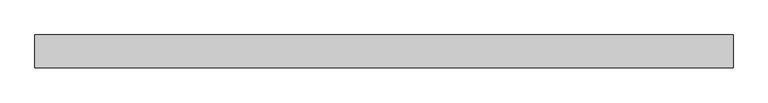
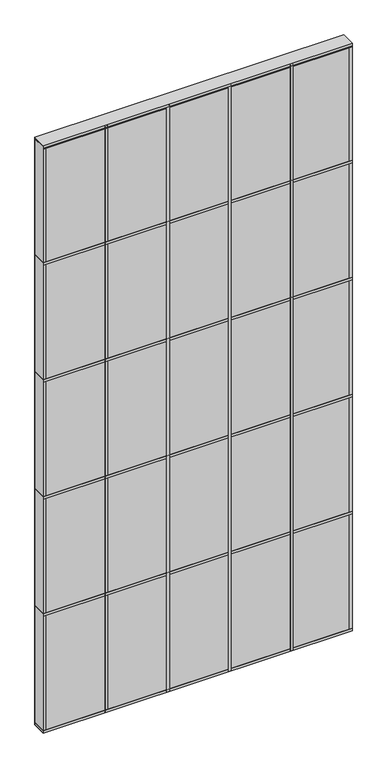
"""IFC4 building model written with IfcOpenShell, lengths in millimetres: plate geometry."""

from ifc_helpers import new_model, si_unit, frame, origin, origin_with_axes, place, context, project, spatial, polyline, outline, extrude, source, transform, mapped, element, save


def plate_a9f3fdb9(model_context):
    return source(origin(), model_context, "Body", "SweptSolid", [
        extrude(outline(polyline([(762.0, 34.925), (762.0, -34.925), (-762.0, -34.925), (-762.0, 34.925), (762.0, 34.925)])), origin_with_axes(), (0.0, 0.0, 1.0), 3054.35),
        extrude(outline(polyline([(762.0, 35.71875), (762.0, -35.71875), (-762.0, -35.71875), (-762.0, 35.71875), (762.0, 35.71875)])), frame((0.0, 0.0, 3048.0), z_axis=(0.0, 0.0, 1.0), x_axis=(1.0, 0.0, 0.0)), (0.0, 0.0, 1.0), 12.7),
        extrude(outline(polyline([(469.9, 35.71875), (469.9, -35.71875), (457.2, -35.71875), (457.2, 35.71875), (469.9, 35.71875)])), origin_with_axes(), (0.0, 0.0, 1.0), 3054.35),
        extrude(outline(polyline([(165.1, 35.71875), (165.1, -35.71875), (152.4, -35.71875), (152.4, 35.71875), (165.1, 35.71875)])), origin_with_axes(), (0.0, 0.0, 1.0), 3054.35),
        extrude(outline(polyline([(-139.7, 35.71875), (-139.7, -35.71875), (-152.4, -35.71875), (-152.4, 35.71875), (-139.7, 35.71875)])), origin_with_axes(), (0.0, 0.0, 1.0), 3054.35),
        extrude(outline(polyline([(762.0, 35.71875), (762.0, -35.71875), (-762.0, -35.71875), (-762.0, 35.71875), (762.0, 35.71875)])), frame((0.0, 0.0, 2438.4), z_axis=(0.0, 0.0, 1.0), x_axis=(1.0, 0.0, 0.0)), (0.0, 0.0, 1.0), 12.7),
        extrude(outline(polyline([(762.0, 35.71875), (762.0, -35.71875), (-762.0, -35.71875), (-762.0, 35.71875), (762.0, 35.71875)])), frame((0.0, 0.0, 1828.8), z_axis=(0.0, 0.0, 1.0), x_axis=(1.0, 0.0, 0.0)), (0.0, 0.0, 1.0), 12.7),
        extrude(outline(polyline([(762.0, 35.71875), (762.0, -35.71875), (-762.0, -35.71875), (-762.0, 35.71875), (762.0, 35.71875)])), frame((0.0, 0.0, 1219.2), z_axis=(0.0, 0.0, 1.0), x_axis=(1.0, 0.0, 0.0)), (0.0, 0.0, 1.0), 12.7),
        extrude(outline(polyline([(762.0, 35.71875), (762.0, -35.71875), (-762.0, -35.71875), (-762.0, 35.71875), (762.0, 35.71875)])), frame((0.0, 0.0, 3041.65), z_axis=(0.0, 0.0, 1.0), x_axis=(1.0, 0.0, 0.0)), (0.0, 0.0, 1.0), 12.7),
        extrude(outline(polyline([(762.0, 35.71875), (762.0, -35.71875), (-762.0, -35.71875), (-762.0, 35.71875), (762.0, 35.71875)])), frame((0.0, 0.0, 609.6), z_axis=(0.0, 0.0, 1.0), x_axis=(1.0, 0.0, 0.0)), (0.0, 0.0, 1.0), 12.7),
        extrude(outline(polyline([(762.0, 35.71875), (762.0, -35.71875), (-762.0, -35.71875), (-762.0, 35.71875), (762.0, 35.71875)])), origin_with_axes(), (0.0, 0.0, 1.0), 12.7),
        extrude(outline(polyline([(-444.5, 35.71875), (-444.5, -35.71875), (-457.2, -35.71875), (-457.2, 35.71875), (-444.5, 35.71875)])), origin_with_axes(), (0.0, 0.0, 1.0), 3054.35),
        extrude(outline(polyline([(762.0, 35.71875), (762.0, -35.71875), (749.3, -35.71875), (749.3, 35.71875), (762.0, 35.71875)])), origin_with_axes(), (0.0, 0.0, 1.0), 3054.35),
        extrude(outline(polyline([(-749.3, 35.71875), (-749.3, -35.71875), (-762.0, -35.71875), (-762.0, 35.71875), (-749.3, 35.71875)])), origin_with_axes(), (0.0, 0.0, 1.0), 3054.35),
    ])


if __name__ == "__main__":
    model = new_model("IFC4")
    model_context = context("Model", 3, world=origin())
    ifc_project = project(units=[si_unit("LENGTHUNIT", "METRE", prefix="MILLI")], contexts=[model_context])
    site = spatial("IfcSite", under=ifc_project)
    building = spatial("IfcBuilding", under=site)
    placement = place(None, origin())
    plate_shape = plate_a9f3fdb9(model_context)
    element("IfcPlate", 1, at=placement, inside=building, context=model_context, shape_type="MappedRepresentation", body=[
        mapped(plate_shape, transform((0.0, 0.0, 0.0), x_axis=(1.0, 0.0, 0.0), y_axis=(0.0, 1.0, 0.0), z_axis=(0.0, 0.0, 1.0))),
    ])
    save(model, "model.ifc")
